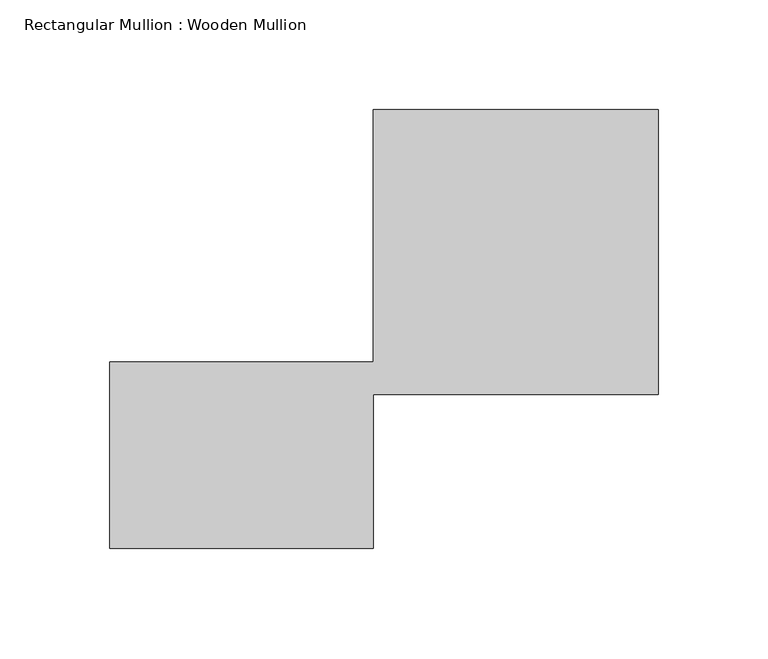
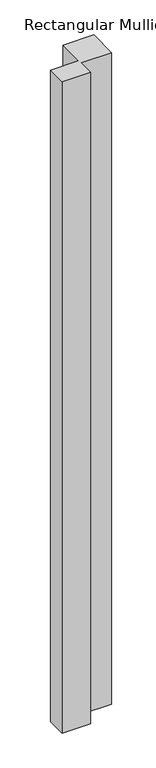
"""IFC4 building model written with IfcOpenShell, lengths in millimetres: member geometry, Rectangular Mullion : Wooden Mullion."""

import ifcopenshell
import ifcopenshell.guid

model = None  # the IFC model being written
_history = None  # IfcOwnerHistory: only IFC2X3 demands one
_inside = {}  # id of a spatial element -> (the spatial element, [elements in it])
_under = {}  # id of a project, library or spatial element -> (it, [spatial elements below it])
_declared = {}  # id of a project -> (the project, [libraries it declares])
_typed = {}  # id of a type object -> (the type object, [elements of that type])
_made_of = {}  # id of a material, layer set ... -> (it, [elements and type objects made of it])


def new_model(schema):
    """Start an empty IFC model of exactly this schema.

    Asked for "IFC4X3", IfcOpenShell would pick the latest addendum, in which some entities
    have other attributes; the version numbers below select the first issue.
    IFC2X3 requires an IfcOwnerHistory on every rooted entity: one is made here for all.
    """
    global model, _history
    if schema == "IFC4X3":
        model = ifcopenshell.file(schema_version=(4, 3, 0, 0))
    else:
        model = ifcopenshell.file(schema=schema)
    _inside.clear()
    _under.clear()
    _declared.clear()
    _typed.clear()
    _made_of.clear()
    _history = None
    if model.schema == "IFC2X3":
        org = make("IfcOrganization", Name="unknown")
        user = make(
            "IfcPersonAndOrganization",
            ThePerson=make("IfcPerson", FamilyName="unknown"),
            TheOrganization=org,
        )
        app = make(
            "IfcApplication",
            ApplicationDeveloper=org,
            Version="unknown",
            ApplicationFullName="unknown",
            ApplicationIdentifier="unknown",
        )
        _history = make(
            "IfcOwnerHistory",
            OwningUser=user,
            OwningApplication=app,
            ChangeAction="ADDED",
            CreationDate=0,
        )
    return model


def make(cls, **values):
    """One entity of the class cls with the attributes given. An attribute that is None is left unset."""
    return model.create_entity(
        cls, **{name: value for name, value in values.items() if value is not None}
    )


def rooted(cls, **values):
    """An entity with a GlobalId (a new one), such as an element, a storey or a relation."""
    return make(cls, GlobalId=ifcopenshell.guid.new(), OwnerHistory=_history, **values)


def si_unit(unit_type, name, prefix=None):
    """IfcSIUnit, for example si_unit("LENGTHUNIT", "METRE", prefix="MILLI")."""
    return make("IfcSIUnit", UnitType=unit_type, Prefix=prefix, Name=name)


def assignment(units):
    """IfcUnitAssignment: the units of a project."""
    return None if units is None else make("IfcUnitAssignment", Units=units)


def point(xyz):
    """IfcCartesianPoint."""
    return None if xyz is None else make("IfcCartesianPoint", Coordinates=xyz)


def direction(xyz):
    """IfcDirection."""
    return None if xyz is None else make("IfcDirection", DirectionRatios=xyz)


def frame(location, z_axis=None, x_axis=None):
    """IfcAxis2Placement3D, a coordinate frame: its origin and axes. An axis left out is left unset."""
    return make(
        "IfcAxis2Placement3D",
        Location=point(location),
        Axis=direction(z_axis),
        RefDirection=direction(x_axis),
    )


def origin():
    """The frame at (0, 0, 0) with its axes left unset."""
    return frame((0.0, 0.0, 0.0))


def place(relative_to, where):
    """IfcLocalPlacement: puts the frame where relative to a parent placement (None: the world)."""
    return make(
        "IfcLocalPlacement", PlacementRelTo=relative_to, RelativePlacement=where
    )


def context(
    kind, dimensions, precision=None, world=None, true_north=None, identifier=None
):
    """IfcGeometricRepresentationContext, for example the 3D "Model" context."""
    return make(
        "IfcGeometricRepresentationContext",
        ContextIdentifier=identifier,
        ContextType=kind,
        CoordinateSpaceDimension=dimensions,
        Precision=precision,
        WorldCoordinateSystem=world,
        TrueNorth=true_north,
    )


def project(units=None, contexts=None):
    """IfcProject with its units and contexts."""
    return rooted(
        "IfcProject",
        Name="project",
        RepresentationContexts=contexts,
        UnitsInContext=assignment(units),
    )


def spatial(cls, under=None, at=None, **own):
    """A site, building, storey or space (cls), placed at a placement, below another one or the project."""
    s = rooted(cls, ObjectPlacement=at, **own)
    if under is not None:
        _under.setdefault(under.id(), (under, []))[1].append(s)
    return s


def polyline(points):
    """IfcPolyline through the points."""
    return make("IfcPolyline", Points=[point(p) for p in points])


def outline(outer, holes=None, kind="AREA"):
    """IfcArbitraryClosedProfileDef: a profile drawn as a closed curve; with holes, ...WithVoids."""
    if holes is None:
        return make("IfcArbitraryClosedProfileDef", ProfileType=kind, OuterCurve=outer)
    return make(
        "IfcArbitraryProfileDefWithVoids",
        ProfileType=kind,
        OuterCurve=outer,
        InnerCurves=holes,
    )


def extrude(swept, where, along, depth):
    """IfcExtrudedAreaSolid: the profile swept, set in the frame where, extruded along a direction by depth."""
    return make(
        "IfcExtrudedAreaSolid",
        SweptArea=swept,
        Position=where,
        ExtrudedDirection=direction(along),
        Depth=depth,
    )


def shape(context_of_items, identifier, shape_type, items):
    """IfcShapeRepresentation: the items that make up one representation, for example the "Body"."""
    return make(
        "IfcShapeRepresentation",
        ContextOfItems=context_of_items,
        RepresentationIdentifier=identifier,
        RepresentationType=shape_type,
        Items=items,
    )


def source(mapping_origin, context_of_items, identifier, shape_type, items):
    """IfcRepresentationMap: a shape defined once, which mapped items show again and again."""
    return make(
        "IfcRepresentationMap",
        MappingOrigin=mapping_origin,
        MappedRepresentation=shape(context_of_items, identifier, shape_type, items),
    )


def transform(
    local_origin,
    x_axis=None,
    y_axis=None,
    z_axis=None,
    scale=None,
    scale2=None,
    scale3=None,
    uniform=True,
):
    """IfcCartesianTransformationOperator3D, or its non-uniform kind. x_axis, y_axis, z_axis: its Axis1, 2, 3."""
    if uniform:
        return make(
            "IfcCartesianTransformationOperator3D",
            Axis1=direction(x_axis),
            Axis2=direction(y_axis),
            LocalOrigin=point(local_origin),
            Scale=scale,
            Axis3=direction(z_axis),
        )
    return make(
        "IfcCartesianTransformationOperator3DnonUniform",
        Axis1=direction(x_axis),
        Axis2=direction(y_axis),
        LocalOrigin=point(local_origin),
        Scale=scale,
        Axis3=direction(z_axis),
        Scale2=scale2,
        Scale3=scale3,
    )


def mapped(mapping_source, mapping_target):
    """IfcMappedItem: shows the shape of a source again, moved by a transform."""
    return make(
        "IfcMappedItem", MappingSource=mapping_source, MappingTarget=mapping_target
    )


def made_of(thing, what):
    """Note that an element or type object is made of a material, layer set ...; save() writes the relation."""
    if what is not None:
        _made_of.setdefault(what.id(), (what, []))[1].append(thing)
    return thing


def element(
    cls,
    number,
    at=None,
    inside=None,
    cuts=None,
    type_object=None,
    material=None,
    context=None,
    identifier="Body",
    shape_type=None,
    held_by="IfcProductDefinitionShape",
    body=None,
    shapes=None,
    **own,
):
    """One element of the class cls, such as IfcWall. Its Tag is "e" and its number.

    at: its placement. inside: the storey or other place that contains it. cuts: it is an
    opening in that element (IfcRelVoidsElement). A single representation is given by context,
    identifier, shape_type and body (its items); several are given by shapes. held_by: the class
    of the entity that holds the representations. save() writes the other relations.
    """
    e = rooted(cls, Tag="e%d" % number, ObjectPlacement=at, **own)
    if body is not None:
        shapes = [shape(context, identifier, shape_type, body)]
    if shapes is not None:
        e.Representation = make(held_by, Representations=shapes)
    if inside is not None:
        _inside.setdefault(inside.id(), (inside, []))[1].append(e)
    if cuts is not None:
        rooted(
            "IfcRelVoidsElement", RelatingBuildingElement=cuts, RelatedOpeningElement=e
        )
    if type_object is not None:
        _typed.setdefault(type_object.id(), (type_object, []))[1].append(e)
    return made_of(e, material)


def aggregate(whole, parts):
    """IfcRelAggregates: a whole, such as a stair, and the parts it consists of."""
    return rooted("IfcRelAggregates", RelatingObject=whole, RelatedObjects=parts)


def save(model, path):
    """Write the relations noted so far, then the file.

    IfcRelAggregates (storeys below a building ...), IfcRelContainedInSpatialStructure (elements
    in a storey), IfcRelDefinesByType, IfcRelAssociatesMaterial and IfcRelDeclares: one each for
    every whole, place, type object, material and project.
    """
    for whole, parts in _under.values():
        aggregate(whole, parts)
    for where, things in _inside.values():
        rooted(
            "IfcRelContainedInSpatialStructure",
            RelatedElements=things,
            RelatingStructure=where,
        )
    for kind, things in _typed.values():
        rooted("IfcRelDefinesByType", RelatedObjects=things, RelatingType=kind)
    for what, things in _made_of.values():
        rooted("IfcRelAssociatesMaterial", RelatedObjects=things, RelatingMaterial=what)
    for by, libraries in _declared.values():
        rooted("IfcRelDeclares", RelatingContext=by, RelatedDefinitions=libraries)
    model.write(path)


def rectangular_mullion_wooden_mullion_91a4dc2f(model_context):
    return source(origin(), model_context, "Body", "SweptSolid", [
        extrude(outline(polyline([(74.8100006, -26.0137344), (-45.1899994, -26.0137344), (-45.1899994, 58.9862656), (74.8100006, 58.9862656), (74.8100006, 173.9862656), (204.8100006, 173.9862656), (204.8100006, 43.9862656), (74.8100006, 43.9862656), (74.8100006, -26.0137344)])), frame((0.0, 0.0, -2912.9072612), z_axis=(0.0, 0.0, 1.0), x_axis=(1.0, 0.0, 0.0)), (0.0, 0.0, 1.0), 2912.9072612),
    ])


if __name__ == "__main__":
    model = new_model("IFC4")
    model_context = context("Model", 3, world=origin())
    ifc_project = project(units=[si_unit("LENGTHUNIT", "METRE", prefix="MILLI")], contexts=[model_context])
    site = spatial("IfcSite", under=ifc_project)
    building = spatial("IfcBuilding", under=site)
    placement = place(None, origin())
    rectangular_mullion_wooden_mullion_shape = rectangular_mullion_wooden_mullion_91a4dc2f(model_context)
    element("IfcMember", 1, ObjectType="Rectangular Mullion : Wooden Mullion", at=placement, inside=building, context=model_context, shape_type="MappedRepresentation", body=[
        mapped(rectangular_mullion_wooden_mullion_shape, transform((0.0, 0.0, 0.0), x_axis=(1.0, 0.0, 0.0), y_axis=(0.0, 1.0, 0.0), z_axis=(0.0, 0.0, 1.0))),
    ])
    save(model, "model.ifc")
